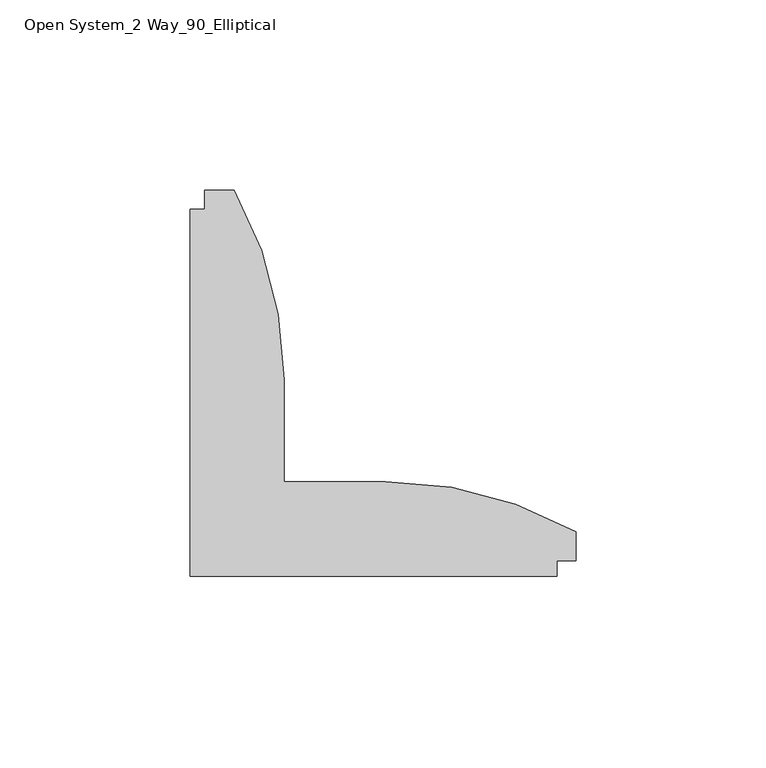
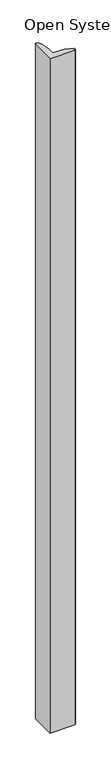
"""IFC4 building model written with IfcOpenShell, lengths in millimetres: furniture geometry, Open System_2 Way_90_Elliptical."""

from ifc_helpers import new_model, si_unit, point, frame_2d, origin, origin_with_axes, place, context, project, spatial, polyline, circle_curve, trimmed, segment, composite_curve, outline, extrude, source, transform, mapped, element, save


def open_system_2_way_90_elliptical_bb786f46(model_context):
    return source(origin(), model_context, "Body", "SweptSolid", [
        extrude(outline(composite_curve([segment(polyline([(29.9771531, -74.4019705), (29.9771531, 22.1881772), (33.9141531, 22.1881772), (33.9141531, 27.1980295), (41.6291406, 27.1980295)]), True, "CONTINUOUS"), segment(trimmed(circle_curve(frame_2d((-47.0676414, -22.7831183)), 101.8097945), [point((41.6291406, 27.1980295))], [point((54.7421531, -22.7831183))], False, "CARTESIAN"), True, "CONTINUOUS"), segment(polyline([(54.7421531, -22.7831183), (54.7421531, -49.5801183), (81.5391531, -49.5801183)]), True, "CONTINUOUS"), segment(trimmed(circle_curve(frame_2d((81.5391531, -151.8243659)), 102.2442476), [point((81.5391531, -49.5801183))], [point((131.5771531, -62.6611183))], False, "CARTESIAN"), True, "CONTINUOUS"), segment(polyline([(131.5771531, -62.6611183), (131.5771531, -70.4081183), (126.6241531, -70.4081183), (126.6241531, -74.4019705), (29.9771531, -74.4019705)]), True, "CONTINUOUS")], self_intersect=False)), origin_with_axes(), (0.0, 0.0, 1.0), 2743.2),
    ])


if __name__ == "__main__":
    model = new_model("IFC4")
    model_context = context("Model", 3, world=origin())
    ifc_project = project(units=[si_unit("LENGTHUNIT", "METRE", prefix="MILLI")], contexts=[model_context])
    site = spatial("IfcSite", under=ifc_project)
    building = spatial("IfcBuilding", under=site)
    placement = place(None, origin())
    open_system_2_way_90_elliptical_shape = open_system_2_way_90_elliptical_bb786f46(model_context)
    element("IfcFurniture", 1, ObjectType="Open System_2 Way_90_Elliptical", at=placement, inside=building, context=model_context, shape_type="MappedRepresentation", body=[
        mapped(open_system_2_way_90_elliptical_shape, transform((0.0, 0.0, 0.0), x_axis=(1.0, 0.0, 0.0), y_axis=(0.0, 1.0, 0.0), z_axis=(0.0, 0.0, 1.0))),
    ])
    save(model, "model.ifc")
